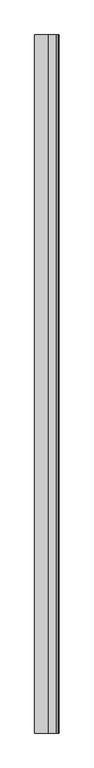
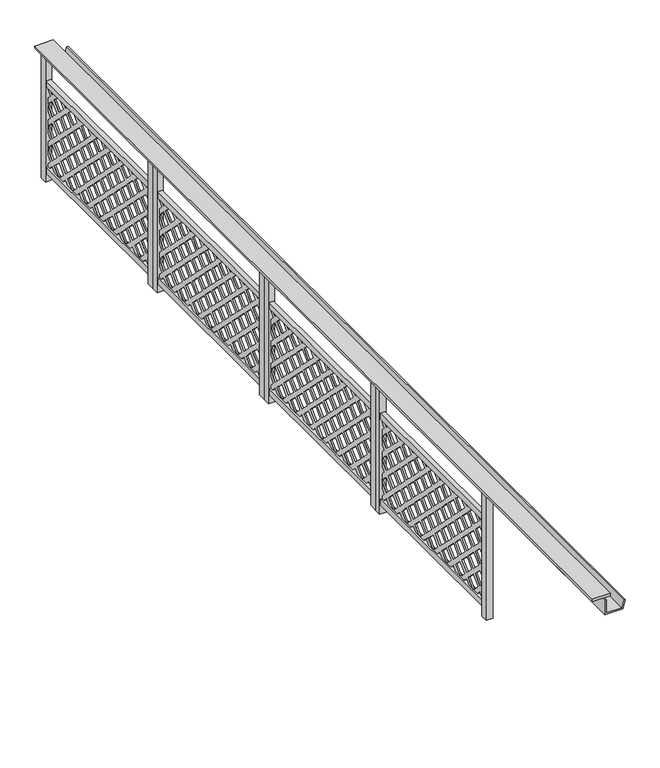
"""IFC4 building model written with IfcOpenShell, lengths in millimetres: railing geometry."""

import ifcopenshell
import ifcopenshell.guid

model = None  # the IFC model being written
_history = None  # IfcOwnerHistory: only IFC2X3 demands one
_inside = {}  # id of a spatial element -> (the spatial element, [elements in it])
_under = {}  # id of a project, library or spatial element -> (it, [spatial elements below it])
_declared = {}  # id of a project -> (the project, [libraries it declares])
_typed = {}  # id of a type object -> (the type object, [elements of that type])
_made_of = {}  # id of a material, layer set ... -> (it, [elements and type objects made of it])


def new_model(schema):
    """Start an empty IFC model of exactly this schema.

    Asked for "IFC4X3", IfcOpenShell would pick the latest addendum, in which some entities
    have other attributes; the version numbers below select the first issue.
    IFC2X3 requires an IfcOwnerHistory on every rooted entity: one is made here for all.
    """
    global model, _history
    if schema == "IFC4X3":
        model = ifcopenshell.file(schema_version=(4, 3, 0, 0))
    else:
        model = ifcopenshell.file(schema=schema)
    _inside.clear()
    _under.clear()
    _declared.clear()
    _typed.clear()
    _made_of.clear()
    _history = None
    if model.schema == "IFC2X3":
        org = make("IfcOrganization", Name="unknown")
        user = make(
            "IfcPersonAndOrganization",
            ThePerson=make("IfcPerson", FamilyName="unknown"),
            TheOrganization=org,
        )
        app = make(
            "IfcApplication",
            ApplicationDeveloper=org,
            Version="unknown",
            ApplicationFullName="unknown",
            ApplicationIdentifier="unknown",
        )
        _history = make(
            "IfcOwnerHistory",
            OwningUser=user,
            OwningApplication=app,
            ChangeAction="ADDED",
            CreationDate=0,
        )
    return model


def make(cls, **values):
    """One entity of the class cls with the attributes given. An attribute that is None is left unset."""
    return model.create_entity(
        cls, **{name: value for name, value in values.items() if value is not None}
    )


def rooted(cls, **values):
    """An entity with a GlobalId (a new one), such as an element, a storey or a relation."""
    return make(cls, GlobalId=ifcopenshell.guid.new(), OwnerHistory=_history, **values)


def si_unit(unit_type, name, prefix=None):
    """IfcSIUnit, for example si_unit("LENGTHUNIT", "METRE", prefix="MILLI")."""
    return make("IfcSIUnit", UnitType=unit_type, Prefix=prefix, Name=name)


def assignment(units):
    """IfcUnitAssignment: the units of a project."""
    return None if units is None else make("IfcUnitAssignment", Units=units)


def point(xyz):
    """IfcCartesianPoint."""
    return None if xyz is None else make("IfcCartesianPoint", Coordinates=xyz)


def direction(xyz):
    """IfcDirection."""
    return None if xyz is None else make("IfcDirection", DirectionRatios=xyz)


def frame(location, z_axis=None, x_axis=None):
    """IfcAxis2Placement3D, a coordinate frame: its origin and axes. An axis left out is left unset."""
    return make(
        "IfcAxis2Placement3D",
        Location=point(location),
        Axis=direction(z_axis),
        RefDirection=direction(x_axis),
    )


def origin():
    """The frame at (0, 0, 0) with its axes left unset."""
    return frame((0.0, 0.0, 0.0))


def origin_with_axes():
    """The frame at (0, 0, 0) with the z axis (0, 0, 1) and the x axis (1, 0, 0) written out."""
    return frame((0.0, 0.0, 0.0), z_axis=(0.0, 0.0, 1.0), x_axis=(1.0, 0.0, 0.0))


def place(relative_to, where):
    """IfcLocalPlacement: puts the frame where relative to a parent placement (None: the world)."""
    return make(
        "IfcLocalPlacement", PlacementRelTo=relative_to, RelativePlacement=where
    )


def context(
    kind, dimensions, precision=None, world=None, true_north=None, identifier=None
):
    """IfcGeometricRepresentationContext, for example the 3D "Model" context."""
    return make(
        "IfcGeometricRepresentationContext",
        ContextIdentifier=identifier,
        ContextType=kind,
        CoordinateSpaceDimension=dimensions,
        Precision=precision,
        WorldCoordinateSystem=world,
        TrueNorth=true_north,
    )


def project(units=None, contexts=None):
    """IfcProject with its units and contexts."""
    return rooted(
        "IfcProject",
        Name="project",
        RepresentationContexts=contexts,
        UnitsInContext=assignment(units),
    )


def spatial(cls, under=None, at=None, **own):
    """A site, building, storey or space (cls), placed at a placement, below another one or the project."""
    s = rooted(cls, ObjectPlacement=at, **own)
    if under is not None:
        _under.setdefault(under.id(), (under, []))[1].append(s)
    return s


def polyline(points):
    """IfcPolyline through the points."""
    return make("IfcPolyline", Points=[point(p) for p in points])


def outline(outer, holes=None, kind="AREA"):
    """IfcArbitraryClosedProfileDef: a profile drawn as a closed curve; with holes, ...WithVoids."""
    if holes is None:
        return make("IfcArbitraryClosedProfileDef", ProfileType=kind, OuterCurve=outer)
    return make(
        "IfcArbitraryProfileDefWithVoids",
        ProfileType=kind,
        OuterCurve=outer,
        InnerCurves=holes,
    )


def extrude(swept, where, along, depth):
    """IfcExtrudedAreaSolid: the profile swept, set in the frame where, extruded along a direction by depth."""
    return make(
        "IfcExtrudedAreaSolid",
        SweptArea=swept,
        Position=where,
        ExtrudedDirection=direction(along),
        Depth=depth,
    )


def shape(context_of_items, identifier, shape_type, items):
    """IfcShapeRepresentation: the items that make up one representation, for example the "Body"."""
    return make(
        "IfcShapeRepresentation",
        ContextOfItems=context_of_items,
        RepresentationIdentifier=identifier,
        RepresentationType=shape_type,
        Items=items,
    )


def source(mapping_origin, context_of_items, identifier, shape_type, items):
    """IfcRepresentationMap: a shape defined once, which mapped items show again and again."""
    return make(
        "IfcRepresentationMap",
        MappingOrigin=mapping_origin,
        MappedRepresentation=shape(context_of_items, identifier, shape_type, items),
    )


def transform(
    local_origin,
    x_axis=None,
    y_axis=None,
    z_axis=None,
    scale=None,
    scale2=None,
    scale3=None,
    uniform=True,
):
    """IfcCartesianTransformationOperator3D, or its non-uniform kind. x_axis, y_axis, z_axis: its Axis1, 2, 3."""
    if uniform:
        return make(
            "IfcCartesianTransformationOperator3D",
            Axis1=direction(x_axis),
            Axis2=direction(y_axis),
            LocalOrigin=point(local_origin),
            Scale=scale,
            Axis3=direction(z_axis),
        )
    return make(
        "IfcCartesianTransformationOperator3DnonUniform",
        Axis1=direction(x_axis),
        Axis2=direction(y_axis),
        LocalOrigin=point(local_origin),
        Scale=scale,
        Axis3=direction(z_axis),
        Scale2=scale2,
        Scale3=scale3,
    )


def mapped(mapping_source, mapping_target):
    """IfcMappedItem: shows the shape of a source again, moved by a transform."""
    return make(
        "IfcMappedItem", MappingSource=mapping_source, MappingTarget=mapping_target
    )


def made_of(thing, what):
    """Note that an element or type object is made of a material, layer set ...; save() writes the relation."""
    if what is not None:
        _made_of.setdefault(what.id(), (what, []))[1].append(thing)
    return thing


def element(
    cls,
    number,
    at=None,
    inside=None,
    cuts=None,
    type_object=None,
    material=None,
    context=None,
    identifier="Body",
    shape_type=None,
    held_by="IfcProductDefinitionShape",
    body=None,
    shapes=None,
    **own,
):
    """One element of the class cls, such as IfcWall. Its Tag is "e" and its number.

    at: its placement. inside: the storey or other place that contains it. cuts: it is an
    opening in that element (IfcRelVoidsElement). A single representation is given by context,
    identifier, shape_type and body (its items); several are given by shapes. held_by: the class
    of the entity that holds the representations. save() writes the other relations.
    """
    e = rooted(cls, Tag="e%d" % number, ObjectPlacement=at, **own)
    if body is not None:
        shapes = [shape(context, identifier, shape_type, body)]
    if shapes is not None:
        e.Representation = make(held_by, Representations=shapes)
    if inside is not None:
        _inside.setdefault(inside.id(), (inside, []))[1].append(e)
    if cuts is not None:
        rooted(
            "IfcRelVoidsElement", RelatingBuildingElement=cuts, RelatedOpeningElement=e
        )
    if type_object is not None:
        _typed.setdefault(type_object.id(), (type_object, []))[1].append(e)
    return made_of(e, material)


def aggregate(whole, parts):
    """IfcRelAggregates: a whole, such as a stair, and the parts it consists of."""
    return rooted("IfcRelAggregates", RelatingObject=whole, RelatedObjects=parts)


def save(model, path):
    """Write the relations noted so far, then the file.

    IfcRelAggregates (storeys below a building ...), IfcRelContainedInSpatialStructure (elements
    in a storey), IfcRelDefinesByType, IfcRelAssociatesMaterial and IfcRelDeclares: one each for
    every whole, place, type object, material and project.
    """
    for whole, parts in _under.values():
        aggregate(whole, parts)
    for where, things in _inside.values():
        rooted(
            "IfcRelContainedInSpatialStructure",
            RelatedElements=things,
            RelatingStructure=where,
        )
    for kind, things in _typed.values():
        rooted("IfcRelDefinesByType", RelatedObjects=things, RelatingType=kind)
    for what, things in _made_of.values():
        rooted("IfcRelAssociatesMaterial", RelatedObjects=things, RelatingMaterial=what)
    for by, libraries in _declared.values():
        rooted("IfcRelDeclares", RelatingContext=by, RelatedDefinitions=libraries)
    model.write(path)


def railing_e99903c3(model_context):
    return source(origin(), model_context, "Body", "SweptSolid", [
        extrude(outline(polyline([(5040.5303378, -25760.8033767), (4920.5303378, -25760.8033767), (4920.5303378, -19510.8033767), (5040.5303378, -19510.8033767), (5040.5303378, -25760.8033767)])), frame((0.0, 0.0, 899.8828423), z_axis=(0.0, 0.0, 1.0), x_axis=(1.0, 0.0, 0.0)), (0.0, 0.0, 1.0), 15.1171577),
        extrude(outline(polyline([(780.0, 5005.5303378), (780.0, 5122.7382617), (836.340031, 5137.8345275), (838.9282214, 5128.1752692), (790.0, 5115.0649918), (790.0, 5015.5303378), (880.0, 5015.5303378), (880.0, 5005.5303378), (780.0, 5005.5303378)])), frame((0.0, -25760.8033767, 0.0), z_axis=(0.0, 1.0, 0.0), x_axis=(0.0, 0.0, 1.0)), (0.0, 0.0, 1.0), 6250.0),
        extrude(outline(polyline([(-20439.5903947, 649.9990226), (-20489.5896185, 599.9998646), (-20435.8023964, 546.2125768), (-20382.0151086, 599.9998646), (-20432.0182115, 649.9990226), (-20389.5911052, 649.9990226), (-20360.8055003, 621.2132863), (-20332.0159505, 649.9990226), (-20289.5888442, 649.9990226), (-20339.5919471, 599.9998646), (-20285.8046593, 546.2125768), (-20232.017503, 599.9998646), (-20282.016661, 649.9990226), (-20239.5896862, 649.9990226), (-20210.8039498, 621.2132863), (-20182.0182134, 649.9990226), (-20139.5912386, 649.9990226), (-20189.5903967, 599.9998646), (-20135.8032403, 546.2125768), (-20082.0159525, 599.9998646), (-20132.015242, 649.9990226), (-20089.5919491, 649.9990226), (-20060.8025308, 621.2132863), (-20032.0167944, 649.9990226), (-19989.5896881, 649.9990226), (-20039.5889777, 599.9998646), (-19985.8055032, 546.2125768), (-19932.0183469, 599.9998646), (-19982.0175049, 649.9990226), (-19939.5905301, 649.9990226), (-19910.8047937, 621.2132863), (-19882.015244, 649.9990226), (-19839.5920825, 649.9990226), (-19889.5912406, 599.9998646), (-19835.8040842, 546.2125768), (-19782.0167964, 599.9998646), (-19832.0160859, 649.9990226), (-19789.5889796, 649.9990226), (-19760.8033747, 621.2132863), (-19732.0176384, 649.9990226), (-19689.590532, 649.9990226), (-19739.5898216, 599.9998646), (-19685.8025337, 546.2125768), (-19632.0153774, 599.9998646), (-19682.0184803, 649.9990226), (-19639.591374, 649.9990226), (-19610.8056376, 621.2132863), (-19582.0162194, 649.9990226), (-19560.8026662, 649.9990226), (-19560.8026662, 628.7854695), (-19589.5920845, 599.9998646), (-19560.8026662, 571.2121558), (-19560.8026662, 528.7870877), (-19610.8056376, 578.7863115), (-19664.5891121, 524.9990894), (-19610.8056376, 471.213774), (-19560.8026662, 521.2129978), (-19560.8026662, 478.7859572), (-19589.5920845, 450.0002208), (-19560.8026662, 421.2126435), (-19560.8026662, 378.7856029), (-19610.8056376, 428.7867334), (-19664.5891121, 374.9995113), (-19610.8056376, 321.2122892), (-19560.8026662, 371.2134197), (-19560.8026662, 328.7863792), (-19589.5920845, 299.9988018), (-19560.8026662, 271.2130655), (-19560.8026662, 228.7860249), (-19610.8056376, 278.7871554), (-19664.5891121, 224.9999333), (-19610.8056376, 171.2127112), (-19560.8026662, 221.2138417), (-19560.8026662, 178.7868011), (-19589.5920845, 149.9992238), (-19560.8026662, 121.2134874), (-19560.8026662, 100.0), (-19582.0162194, 100.0), (-19610.8056376, 128.7856706), (-19639.591374, 100.0), (-19682.0184803, 100.0), (-19632.0153774, 149.9992238), (-19685.8025337, 203.7864459), (-19739.5898216, 149.9992238), (-19689.590532, 100.0), (-19732.0176384, 100.0), (-19760.8033747, 128.7856706), (-19789.5889796, 100.0), (-19832.0160859, 100.0), (-19782.0167964, 149.9992238), (-19835.8040842, 203.7864459), (-19889.5912406, 149.9992238), (-19839.5920825, 100.0), (-19882.015244, 100.0), (-19910.8047937, 128.7856706), (-19939.5905301, 100.0), (-19982.0175049, 100.0), (-19932.0183469, 149.9992238), (-19985.8055032, 203.7864459), (-20039.5889777, 149.9992238), (-19989.5896881, 100.0), (-20032.0167944, 100.0), (-20060.8025308, 128.7856706), (-20089.5919491, 100.0), (-20132.015242, 100.0), (-20082.0159525, 149.9992238), (-20135.8032403, 203.7864459), (-20189.5903967, 149.9992238), (-20139.5912386, 100.0), (-20182.0182134, 100.0), (-20210.8039498, 128.7856706), (-20239.5896862, 100.0), (-20282.016661, 100.0), (-20232.017503, 149.9992238), (-20285.8046593, 203.7864459), (-20339.5919471, 149.9992238), (-20289.5888442, 100.0), (-20332.0159505, 100.0), (-20360.8055003, 128.7856706), (-20389.5911052, 100.0), (-20432.0182115, 100.0), (-20382.0151086, 149.9992238), (-20435.8023964, 203.7864459), (-20489.5896185, 149.9992238), (-20439.5903947, 100.0), (-20482.0174353, 100.0), (-20510.8031059, 128.7856706), (-20539.590749, 100.0), (-20582.0158828, 100.0), (-20532.0166591, 149.9992238), (-20585.8038811, 203.7864459), (-20639.5911032, 149.9992238), (-20589.5899728, 100.0), (-20632.0170133, 100.0), (-20660.8026839, 128.7856706), (-20689.590327, 100.0), (-20710.8038144, 100.0), (-20710.8038144, 121.2134874), (-20682.0162371, 149.9992238), (-20710.8038144, 178.7868011), (-20710.8038144, 221.2138417), (-20660.8026839, 171.2127112), (-20607.0173686, 224.9999333), (-20660.8026839, 278.7871554), (-20710.8038144, 228.7860249), (-20710.8038144, 271.2130655), (-20682.0162371, 299.9988018), (-20710.8038144, 328.7863792), (-20710.8038144, 371.2134197), (-20660.8026839, 321.2122892), (-20607.0173686, 374.9995113), (-20660.8026839, 428.7867334), (-20710.8038144, 378.7856029), (-20710.8038144, 421.2126435), (-20682.0162371, 450.0002208), (-20710.8038144, 478.7859572), (-20710.8038144, 521.2129978), (-20660.8026839, 471.213774), (-20607.0173686, 524.9990894), (-20660.8026839, 578.7863115), (-20710.8038144, 528.7870877), (-20710.8038144, 571.2121558), (-20682.0162371, 599.9998646), (-20710.8038144, 628.7854695), (-20710.8038144, 649.9990226), (-20689.590327, 649.9990226), (-20660.8026839, 621.2132863), (-20632.0170133, 649.9990226), (-20589.5899728, 649.9990226), (-20639.5911032, 599.9998646), (-20585.8038811, 546.2125768), (-20532.0166591, 599.9998646), (-20582.0158828, 649.9990226), (-20539.590749, 649.9990226), (-20510.8031059, 621.2132863), (-20482.0174353, 649.9990226), (-20439.5903947, 649.9990226)]), holes=[polyline([(-20510.8031059, 578.7863115), (-20564.590328, 524.9990894), (-20510.8031059, 471.213774), (-20457.0159496, 524.9990894), (-20510.8031059, 578.7863115)]), polyline([(-20585.8038811, 503.7855362), (-20639.5911032, 450.0002208), (-20585.8038811, 396.2130645), (-20532.0166591, 450.0002208), (-20585.8038811, 503.7855362)]), polyline([(-20510.8031059, 428.7867334), (-20564.590328, 374.9995113), (-20510.8031059, 321.2122892), (-20457.0159496, 374.9995113), (-20510.8031059, 428.7867334)]), polyline([(-20382.0151086, 450.0002208), (-20435.8023964, 503.7855362), (-20489.5896185, 450.0002208), (-20435.8023964, 396.2130645), (-20382.0151086, 450.0002208)]), polyline([(-20360.8055003, 471.213774), (-20307.0182125, 524.9990894), (-20360.8055003, 578.7863115), (-20414.5888433, 524.9990894), (-20360.8055003, 471.213774)]), polyline([(-20585.8038811, 353.7859582), (-20639.5911032, 299.9988018), (-20585.8038811, 246.2134864), (-20532.0166591, 299.9988018), (-20585.8038811, 353.7859582)]), polyline([(-20510.8031059, 278.7871554), (-20564.590328, 224.9999333), (-20510.8031059, 171.2127112), (-20457.0159496, 224.9999333), (-20510.8031059, 278.7871554)]), polyline([(-20489.5896185, 299.9988018), (-20435.8023964, 246.2134864), (-20382.0151086, 299.9988018), (-20435.8023964, 353.7859582), (-20489.5896185, 299.9988018)]), polyline([(-20360.8055003, 321.2122892), (-20307.0182125, 374.9995113), (-20360.8055003, 428.7867334), (-20414.5888433, 374.9995113), (-20360.8055003, 321.2122892)]), polyline([(-20339.5919471, 450.0002208), (-20285.8046593, 396.2130645), (-20232.017503, 450.0002208), (-20285.8046593, 503.7855362), (-20339.5919471, 450.0002208)]), polyline([(-20210.8039498, 471.213774), (-20157.0167935, 524.9990894), (-20210.8039498, 578.7863115), (-20264.5912376, 524.9990894), (-20210.8039498, 471.213774)]), polyline([(-20114.5896872, 524.9990894), (-20060.8025308, 471.213774), (-20007.015243, 524.9990894), (-20060.8025308, 578.7863115), (-20114.5896872, 524.9990894)]), polyline([(-20210.8039498, 428.7867334), (-20264.5912376, 374.9995113), (-20210.8039498, 321.2122892), (-20157.0167935, 374.9995113), (-20210.8039498, 428.7867334)]), polyline([(-20285.8046593, 353.7859582), (-20339.5919471, 299.9988018), (-20285.8046593, 246.2134864), (-20232.017503, 299.9988018), (-20285.8046593, 353.7859582)]), polyline([(-20414.5888433, 224.9999333), (-20360.8055003, 171.2127112), (-20307.0182125, 224.9999333), (-20360.8055003, 278.7871554), (-20414.5888433, 224.9999333)]), polyline([(-20135.8032403, 503.7855362), (-20189.5903967, 450.0002208), (-20135.8032403, 396.2130645), (-20082.0159525, 450.0002208), (-20135.8032403, 503.7855362)]), polyline([(-19964.5920816, 524.9990894), (-19910.8047937, 471.213774), (-19857.0176374, 524.9990894), (-19910.8047937, 578.7863115), (-19964.5920816, 524.9990894)]), polyline([(-19857.0176374, 374.9995113), (-19910.8047937, 428.7867334), (-19964.5920816, 374.9995113), (-19910.8047937, 321.2122892), (-19857.0176374, 374.9995113)]), polyline([(-19985.8055032, 503.7855362), (-20039.5889777, 450.0002208), (-19985.8055032, 396.2130645), (-19932.0183469, 450.0002208), (-19985.8055032, 503.7855362)]), polyline([(-20007.015243, 374.9995113), (-20060.8025308, 428.7867334), (-20114.5896872, 374.9995113), (-20060.8025308, 321.2122892), (-20007.015243, 374.9995113)]), polyline([(-20135.8032403, 353.7859582), (-20189.5903967, 299.9988018), (-20135.8032403, 246.2134864), (-20082.0159525, 299.9988018), (-20135.8032403, 353.7859582)]), polyline([(-20210.8039498, 278.7871554), (-20264.5912376, 224.9999333), (-20210.8039498, 171.2127112), (-20157.0167935, 224.9999333), (-20210.8039498, 278.7871554)]), polyline([(-20007.015243, 224.9999333), (-20060.8025308, 278.7871554), (-20114.5896872, 224.9999333), (-20060.8025308, 171.2127112), (-20007.015243, 224.9999333)]), polyline([(-19964.5920816, 224.9999333), (-19910.8047937, 171.2127112), (-19857.0176374, 224.9999333), (-19910.8047937, 278.7871554), (-19964.5920816, 224.9999333)]), polyline([(-20039.5889777, 299.9988018), (-19985.8055032, 246.2134864), (-19932.0183469, 299.9988018), (-19985.8055032, 353.7859582), (-20039.5889777, 299.9988018)]), polyline([(-19889.5912406, 299.9988018), (-19835.8040842, 246.2134864), (-19782.0167964, 299.9988018), (-19835.8040842, 353.7859582), (-19889.5912406, 299.9988018)]), polyline([(-19835.8040842, 396.2130645), (-19782.0167964, 450.0002208), (-19835.8040842, 503.7855362), (-19889.5912406, 450.0002208), (-19835.8040842, 396.2130645)]), polyline([(-19814.5905311, 524.9990894), (-19760.8033747, 471.213774), (-19707.0160869, 524.9990894), (-19760.8033747, 578.7863115), (-19814.5905311, 524.9990894)]), polyline([(-19685.8025337, 396.2130645), (-19632.0153774, 450.0002208), (-19685.8025337, 503.7855362), (-19739.5898216, 450.0002208), (-19685.8025337, 396.2130645)]), polyline([(-19707.0160869, 374.9995113), (-19760.8033747, 428.7867334), (-19814.5905311, 374.9995113), (-19760.8033747, 321.2122892), (-19707.0160869, 374.9995113)]), polyline([(-19685.8025337, 246.2134864), (-19632.0153774, 299.9988018), (-19685.8025337, 353.7859582), (-19739.5898216, 299.9988018), (-19685.8025337, 246.2134864)]), polyline([(-19760.8033747, 278.7871554), (-19814.5905311, 224.9999333), (-19760.8033747, 171.2127112), (-19707.0160869, 224.9999333), (-19760.8033747, 278.7871554)])]), frame((4976.5303378, 0.0, 0.0), z_axis=(1.0, 0.0, 0.0), x_axis=(0.0, 1.0, 0.0)), (0.0, 0.0, 1.0), 10.0),
        extrude(outline(polyline([(4995.5303378, -19560.8026662), (4995.5303378, -20710.8030382), (4965.5303378, -20710.8030382), (4965.5303378, -19560.8026662), (4995.5303378, -19560.8026662)])), frame((0.0, 0.0, 649.9990226), z_axis=(0.0, 0.0, 1.0), x_axis=(1.0, 0.0, 0.0)), (0.0, 0.0, 1.0), 40.0009774),
        extrude(outline(polyline([(4995.5303378, -19560.8026662), (4995.5303378, -20710.8030382), (4965.5303378, -20710.8030382), (4965.5303378, -19560.8026662), (4995.5303378, -19560.8026662)])), frame((0.0, 0.0, 60.0), z_axis=(0.0, 0.0, 1.0), x_axis=(1.0, 0.0, 0.0)), (0.0, 0.0, 1.0), 40.0),
        extrude(outline(polyline([(5000.5303378, -19510.8033767), (5000.5303378, -19560.8033767), (4960.5303378, -19560.8033767), (4960.5303378, -19510.8033767), (5000.5303378, -19510.8033767)])), origin_with_axes(), (0.0, 0.0, 1.0), 900.0),
        extrude(outline(polyline([(5000.5303378, -20710.8030382), (5000.5303378, -20760.8030382), (4960.5303378, -20760.8030382), (4960.5303378, -20710.8030382), (5000.5303378, -20710.8030382)])), origin_with_axes(), (0.0, 0.0, 1.0), 900.0),
        extrude(outline(polyline([(-21690.5903947, 649.9990226), (-21740.5896185, 599.9998646), (-21686.8023964, 546.2125768), (-21633.0151086, 599.9998646), (-21683.0182115, 649.9990226), (-21640.5911052, 649.9990226), (-21611.8055003, 621.2132863), (-21583.0159505, 649.9990226), (-21540.5888442, 649.9990226), (-21590.5919471, 599.9998646), (-21536.8046593, 546.2125768), (-21483.017503, 599.9998646), (-21533.016661, 649.9990226), (-21490.5896862, 649.9990226), (-21461.8039498, 621.2132863), (-21433.0182134, 649.9990226), (-21390.5912386, 649.9990226), (-21440.5903967, 599.9998646), (-21386.8032403, 546.2125768), (-21333.0159525, 599.9998646), (-21383.015242, 649.9990226), (-21340.5919491, 649.9990226), (-21311.8025308, 621.2132863), (-21283.0167944, 649.9990226), (-21240.5896881, 649.9990226), (-21290.5889777, 599.9998646), (-21236.8055032, 546.2125768), (-21183.0183469, 599.9998646), (-21233.0175049, 649.9990226), (-21190.5905301, 649.9990226), (-21161.8047937, 621.2132863), (-21133.015244, 649.9990226), (-21090.5920825, 649.9990226), (-21140.5912406, 599.9998646), (-21086.8040842, 546.2125768), (-21033.0167964, 599.9998646), (-21083.0160859, 649.9990226), (-21040.5889796, 649.9990226), (-21011.8033747, 621.2132863), (-20983.0176384, 649.9990226), (-20940.590532, 649.9990226), (-20990.5898216, 599.9998646), (-20936.8025337, 546.2125768), (-20883.0153774, 599.9998646), (-20933.0184803, 649.9990226), (-20890.591374, 649.9990226), (-20861.8056376, 621.2132863), (-20833.0162194, 649.9990226), (-20811.8026662, 649.9990226), (-20811.8026662, 628.7854695), (-20840.5920845, 599.9998646), (-20811.8026662, 571.2121558), (-20811.8026662, 528.7870877), (-20861.8056376, 578.7863115), (-20915.5891121, 524.9990894), (-20861.8056376, 471.213774), (-20811.8026662, 521.2129978), (-20811.8026662, 478.7859572), (-20840.5920845, 450.0002208), (-20811.8026662, 421.2126435), (-20811.8026662, 378.7856029), (-20861.8056376, 428.7867334), (-20915.5891121, 374.9995113), (-20861.8056376, 321.2122892), (-20811.8026662, 371.2134197), (-20811.8026662, 328.7863792), (-20840.5920845, 299.9988018), (-20811.8026662, 271.2130655), (-20811.8026662, 228.7860249), (-20861.8056376, 278.7871554), (-20915.5891121, 224.9999333), (-20861.8056376, 171.2127112), (-20811.8026662, 221.2138417), (-20811.8026662, 178.7868011), (-20840.5920845, 149.9992238), (-20811.8026662, 121.2134874), (-20811.8026662, 100.0), (-20833.0162194, 100.0), (-20861.8056376, 128.7856706), (-20890.591374, 100.0), (-20933.0184803, 100.0), (-20883.0153774, 149.9992238), (-20936.8025337, 203.7864459), (-20990.5898216, 149.9992238), (-20940.590532, 100.0), (-20983.0176384, 100.0), (-21011.8033747, 128.7856706), (-21040.5889796, 100.0), (-21083.0160859, 100.0), (-21033.0167964, 149.9992238), (-21086.8040842, 203.7864459), (-21140.5912406, 149.9992238), (-21090.5920825, 100.0), (-21133.015244, 100.0), (-21161.8047937, 128.7856706), (-21190.5905301, 100.0), (-21233.0175049, 100.0), (-21183.0183469, 149.9992238), (-21236.8055032, 203.7864459), (-21290.5889777, 149.9992238), (-21240.5896881, 100.0), (-21283.0167944, 100.0), (-21311.8025308, 128.7856706), (-21340.5919491, 100.0), (-21383.015242, 100.0), (-21333.0159525, 149.9992238), (-21386.8032403, 203.7864459), (-21440.5903967, 149.9992238), (-21390.5912386, 100.0), (-21433.0182134, 100.0), (-21461.8039498, 128.7856706), (-21490.5896862, 100.0), (-21533.016661, 100.0), (-21483.017503, 149.9992238), (-21536.8046593, 203.7864459), (-21590.5919471, 149.9992238), (-21540.5888442, 100.0), (-21583.0159505, 100.0), (-21611.8055003, 128.7856706), (-21640.5911052, 100.0), (-21683.0182115, 100.0), (-21633.0151086, 149.9992238), (-21686.8023964, 203.7864459), (-21740.5896185, 149.9992238), (-21690.5903947, 100.0), (-21733.0174353, 100.0), (-21761.8031059, 128.7856706), (-21790.590749, 100.0), (-21833.0158828, 100.0), (-21783.0166591, 149.9992238), (-21836.8038811, 203.7864459), (-21890.5911032, 149.9992238), (-21840.5899728, 100.0), (-21883.0170133, 100.0), (-21911.8026839, 128.7856706), (-21940.590327, 100.0), (-21961.8038144, 100.0), (-21961.8038144, 121.2134874), (-21933.0162371, 149.9992238), (-21961.8038144, 178.7868011), (-21961.8038144, 221.2138417), (-21911.8026839, 171.2127112), (-21858.0173686, 224.9999333), (-21911.8026839, 278.7871554), (-21961.8038144, 228.7860249), (-21961.8038144, 271.2130655), (-21933.0162371, 299.9988018), (-21961.8038144, 328.7863792), (-21961.8038144, 371.2134197), (-21911.8026839, 321.2122892), (-21858.0173686, 374.9995113), (-21911.8026839, 428.7867334), (-21961.8038144, 378.7856029), (-21961.8038144, 421.2126435), (-21933.0162371, 450.0002208), (-21961.8038144, 478.7859572), (-21961.8038144, 521.2129978), (-21911.8026839, 471.213774), (-21858.0173686, 524.9990894), (-21911.8026839, 578.7863115), (-21961.8038144, 528.7870877), (-21961.8038144, 571.2121558), (-21933.0162371, 599.9998646), (-21961.8038144, 628.7854695), (-21961.8038144, 649.9990226), (-21940.590327, 649.9990226), (-21911.8026839, 621.2132863), (-21883.0170133, 649.9990226), (-21840.5899728, 649.9990226), (-21890.5911032, 599.9998646), (-21836.8038811, 546.2125768), (-21783.0166591, 599.9998646), (-21833.0158828, 649.9990226), (-21790.590749, 649.9990226), (-21761.8031059, 621.2132863), (-21733.0174353, 649.9990226), (-21690.5903947, 649.9990226)]), holes=[polyline([(-21761.8031059, 578.7863115), (-21815.590328, 524.9990894), (-21761.8031059, 471.213774), (-21708.0159496, 524.9990894), (-21761.8031059, 578.7863115)]), polyline([(-21836.8038811, 503.7855362), (-21890.5911032, 450.0002208), (-21836.8038811, 396.2130645), (-21783.0166591, 450.0002208), (-21836.8038811, 503.7855362)]), polyline([(-21761.8031059, 428.7867334), (-21815.590328, 374.9995113), (-21761.8031059, 321.2122892), (-21708.0159496, 374.9995113), (-21761.8031059, 428.7867334)]), polyline([(-21633.0151086, 450.0002208), (-21686.8023964, 503.7855362), (-21740.5896185, 450.0002208), (-21686.8023964, 396.2130645), (-21633.0151086, 450.0002208)]), polyline([(-21611.8055003, 471.213774), (-21558.0182125, 524.9990894), (-21611.8055003, 578.7863115), (-21665.5888433, 524.9990894), (-21611.8055003, 471.213774)]), polyline([(-21836.8038811, 353.7859582), (-21890.5911032, 299.9988018), (-21836.8038811, 246.2134864), (-21783.0166591, 299.9988018), (-21836.8038811, 353.7859582)]), polyline([(-21761.8031059, 278.7871554), (-21815.590328, 224.9999333), (-21761.8031059, 171.2127112), (-21708.0159496, 224.9999333), (-21761.8031059, 278.7871554)]), polyline([(-21740.5896185, 299.9988018), (-21686.8023964, 246.2134864), (-21633.0151086, 299.9988018), (-21686.8023964, 353.7859582), (-21740.5896185, 299.9988018)]), polyline([(-21611.8055003, 321.2122892), (-21558.0182125, 374.9995113), (-21611.8055003, 428.7867334), (-21665.5888433, 374.9995113), (-21611.8055003, 321.2122892)]), polyline([(-21590.5919471, 450.0002208), (-21536.8046593, 396.2130645), (-21483.017503, 450.0002208), (-21536.8046593, 503.7855362), (-21590.5919471, 450.0002208)]), polyline([(-21461.8039498, 471.213774), (-21408.0167935, 524.9990894), (-21461.8039498, 578.7863115), (-21515.5912376, 524.9990894), (-21461.8039498, 471.213774)]), polyline([(-21365.5896872, 524.9990894), (-21311.8025308, 471.213774), (-21258.015243, 524.9990894), (-21311.8025308, 578.7863115), (-21365.5896872, 524.9990894)]), polyline([(-21461.8039498, 428.7867334), (-21515.5912376, 374.9995113), (-21461.8039498, 321.2122892), (-21408.0167935, 374.9995113), (-21461.8039498, 428.7867334)]), polyline([(-21536.8046593, 353.7859582), (-21590.5919471, 299.9988018), (-21536.8046593, 246.2134864), (-21483.017503, 299.9988018), (-21536.8046593, 353.7859582)]), polyline([(-21665.5888433, 224.9999333), (-21611.8055003, 171.2127112), (-21558.0182125, 224.9999333), (-21611.8055003, 278.7871554), (-21665.5888433, 224.9999333)]), polyline([(-21386.8032403, 503.7855362), (-21440.5903967, 450.0002208), (-21386.8032403, 396.2130645), (-21333.0159525, 450.0002208), (-21386.8032403, 503.7855362)]), polyline([(-21215.5920816, 524.9990894), (-21161.8047937, 471.213774), (-21108.0176374, 524.9990894), (-21161.8047937, 578.7863115), (-21215.5920816, 524.9990894)]), polyline([(-21108.0176374, 374.9995113), (-21161.8047937, 428.7867334), (-21215.5920816, 374.9995113), (-21161.8047937, 321.2122892), (-21108.0176374, 374.9995113)]), polyline([(-21236.8055032, 503.7855362), (-21290.5889777, 450.0002208), (-21236.8055032, 396.2130645), (-21183.0183469, 450.0002208), (-21236.8055032, 503.7855362)]), polyline([(-21258.015243, 374.9995113), (-21311.8025308, 428.7867334), (-21365.5896872, 374.9995113), (-21311.8025308, 321.2122892), (-21258.015243, 374.9995113)]), polyline([(-21386.8032403, 353.7859582), (-21440.5903967, 299.9988018), (-21386.8032403, 246.2134864), (-21333.0159525, 299.9988018), (-21386.8032403, 353.7859582)]), polyline([(-21461.8039498, 278.7871554), (-21515.5912376, 224.9999333), (-21461.8039498, 171.2127112), (-21408.0167935, 224.9999333), (-21461.8039498, 278.7871554)]), polyline([(-21258.015243, 224.9999333), (-21311.8025308, 278.7871554), (-21365.5896872, 224.9999333), (-21311.8025308, 171.2127112), (-21258.015243, 224.9999333)]), polyline([(-21215.5920816, 224.9999333), (-21161.8047937, 171.2127112), (-21108.0176374, 224.9999333), (-21161.8047937, 278.7871554), (-21215.5920816, 224.9999333)]), polyline([(-21290.5889777, 299.9988018), (-21236.8055032, 246.2134864), (-21183.0183469, 299.9988018), (-21236.8055032, 353.7859582), (-21290.5889777, 299.9988018)]), polyline([(-21140.5912406, 299.9988018), (-21086.8040842, 246.2134864), (-21033.0167964, 299.9988018), (-21086.8040842, 353.7859582), (-21140.5912406, 299.9988018)]), polyline([(-21086.8040842, 396.2130645), (-21033.0167964, 450.0002208), (-21086.8040842, 503.7855362), (-21140.5912406, 450.0002208), (-21086.8040842, 396.2130645)]), polyline([(-21065.5905311, 524.9990894), (-21011.8033747, 471.213774), (-20958.0160869, 524.9990894), (-21011.8033747, 578.7863115), (-21065.5905311, 524.9990894)]), polyline([(-20936.8025337, 396.2130645), (-20883.0153774, 450.0002208), (-20936.8025337, 503.7855362), (-20990.5898216, 450.0002208), (-20936.8025337, 396.2130645)]), polyline([(-20958.0160869, 374.9995113), (-21011.8033747, 428.7867334), (-21065.5905311, 374.9995113), (-21011.8033747, 321.2122892), (-20958.0160869, 374.9995113)]), polyline([(-20936.8025337, 246.2134864), (-20883.0153774, 299.9988018), (-20936.8025337, 353.7859582), (-20990.5898216, 299.9988018), (-20936.8025337, 246.2134864)]), polyline([(-21011.8033747, 278.7871554), (-21065.5905311, 224.9999333), (-21011.8033747, 171.2127112), (-20958.0160869, 224.9999333), (-21011.8033747, 278.7871554)])]), frame((4976.5303378, 0.0, 0.0), z_axis=(1.0, 0.0, 0.0), x_axis=(0.0, 1.0, 0.0)), (0.0, 0.0, 1.0), 10.0),
        extrude(outline(polyline([(4995.5303378, -20811.8026662), (4995.5303378, -21961.8030382), (4965.5303378, -21961.8030382), (4965.5303378, -20811.8026662), (4995.5303378, -20811.8026662)])), frame((0.0, 0.0, 649.9990226), z_axis=(0.0, 0.0, 1.0), x_axis=(1.0, 0.0, 0.0)), (0.0, 0.0, 1.0), 40.0009774),
        extrude(outline(polyline([(4995.5303378, -20811.8026662), (4995.5303378, -21961.8030382), (4965.5303378, -21961.8030382), (4965.5303378, -20811.8026662), (4995.5303378, -20811.8026662)])), frame((0.0, 0.0, 60.0), z_axis=(0.0, 0.0, 1.0), x_axis=(1.0, 0.0, 0.0)), (0.0, 0.0, 1.0), 40.0),
        extrude(outline(polyline([(5000.5303378, -20761.8033767), (5000.5303378, -20811.8033767), (4960.5303378, -20811.8033767), (4960.5303378, -20761.8033767), (5000.5303378, -20761.8033767)])), origin_with_axes(), (0.0, 0.0, 1.0), 900.0),
        extrude(outline(polyline([(5000.5303378, -21961.8030382), (5000.5303378, -22011.8030382), (4960.5303378, -22011.8030382), (4960.5303378, -21961.8030382), (5000.5303378, -21961.8030382)])), origin_with_axes(), (0.0, 0.0, 1.0), 900.0),
        extrude(outline(polyline([(-22941.5903947, 649.9990226), (-22991.5896185, 599.9998646), (-22937.8023964, 546.2125768), (-22884.0151086, 599.9998646), (-22934.0182115, 649.9990226), (-22891.5911052, 649.9990226), (-22862.8055003, 621.2132863), (-22834.0159505, 649.9990226), (-22791.5888442, 649.9990226), (-22841.5919471, 599.9998646), (-22787.8046593, 546.2125768), (-22734.017503, 599.9998646), (-22784.016661, 649.9990226), (-22741.5896862, 649.9990226), (-22712.8039498, 621.2132863), (-22684.0182134, 649.9990226), (-22641.5912386, 649.9990226), (-22691.5903967, 599.9998646), (-22637.8032403, 546.2125768), (-22584.0159525, 599.9998646), (-22634.015242, 649.9990226), (-22591.5919491, 649.9990226), (-22562.8025308, 621.2132863), (-22534.0167944, 649.9990226), (-22491.5896881, 649.9990226), (-22541.5889777, 599.9998646), (-22487.8055032, 546.2125768), (-22434.0183469, 599.9998646), (-22484.0175049, 649.9990226), (-22441.5905301, 649.9990226), (-22412.8047937, 621.2132863), (-22384.015244, 649.9990226), (-22341.5920825, 649.9990226), (-22391.5912406, 599.9998646), (-22337.8040842, 546.2125768), (-22284.0167964, 599.9998646), (-22334.0160859, 649.9990226), (-22291.5889796, 649.9990226), (-22262.8033747, 621.2132863), (-22234.0176384, 649.9990226), (-22191.590532, 649.9990226), (-22241.5898216, 599.9998646), (-22187.8025337, 546.2125768), (-22134.0153774, 599.9998646), (-22184.0184803, 649.9990226), (-22141.591374, 649.9990226), (-22112.8056376, 621.2132863), (-22084.0162194, 649.9990226), (-22062.8026662, 649.9990226), (-22062.8026662, 628.7854695), (-22091.5920845, 599.9998646), (-22062.8026662, 571.2121558), (-22062.8026662, 528.7870877), (-22112.8056376, 578.7863115), (-22166.5891121, 524.9990894), (-22112.8056376, 471.213774), (-22062.8026662, 521.2129978), (-22062.8026662, 478.7859572), (-22091.5920845, 450.0002208), (-22062.8026662, 421.2126435), (-22062.8026662, 378.7856029), (-22112.8056376, 428.7867334), (-22166.5891121, 374.9995113), (-22112.8056376, 321.2122892), (-22062.8026662, 371.2134197), (-22062.8026662, 328.7863792), (-22091.5920845, 299.9988018), (-22062.8026662, 271.2130655), (-22062.8026662, 228.7860249), (-22112.8056376, 278.7871554), (-22166.5891121, 224.9999333), (-22112.8056376, 171.2127112), (-22062.8026662, 221.2138417), (-22062.8026662, 178.7868011), (-22091.5920845, 149.9992238), (-22062.8026662, 121.2134874), (-22062.8026662, 100.0), (-22084.0162194, 100.0), (-22112.8056376, 128.7856706), (-22141.591374, 100.0), (-22184.0184803, 100.0), (-22134.0153774, 149.9992238), (-22187.8025337, 203.7864459), (-22241.5898216, 149.9992238), (-22191.590532, 100.0), (-22234.0176384, 100.0), (-22262.8033747, 128.7856706), (-22291.5889796, 100.0), (-22334.0160859, 100.0), (-22284.0167964, 149.9992238), (-22337.8040842, 203.7864459), (-22391.5912406, 149.9992238), (-22341.5920825, 100.0), (-22384.015244, 100.0), (-22412.8047937, 128.7856706), (-22441.5905301, 100.0), (-22484.0175049, 100.0), (-22434.0183469, 149.9992238), (-22487.8055032, 203.7864459), (-22541.5889777, 149.9992238), (-22491.5896881, 100.0), (-22534.0167944, 100.0), (-22562.8025308, 128.7856706), (-22591.5919491, 100.0), (-22634.015242, 100.0), (-22584.0159525, 149.9992238), (-22637.8032403, 203.7864459), (-22691.5903967, 149.9992238), (-22641.5912386, 100.0), (-22684.0182134, 100.0), (-22712.8039498, 128.7856706), (-22741.5896862, 100.0), (-22784.016661, 100.0), (-22734.017503, 149.9992238), (-22787.8046593, 203.7864459), (-22841.5919471, 149.9992238), (-22791.5888442, 100.0), (-22834.0159505, 100.0), (-22862.8055003, 128.7856706), (-22891.5911052, 100.0), (-22934.0182115, 100.0), (-22884.0151086, 149.9992238), (-22937.8023964, 203.7864459), (-22991.5896185, 149.9992238), (-22941.5903947, 100.0), (-22984.0174353, 100.0), (-23012.8031059, 128.7856706), (-23041.590749, 100.0), (-23084.0158828, 100.0), (-23034.0166591, 149.9992238), (-23087.8038811, 203.7864459), (-23141.5911032, 149.9992238), (-23091.5899728, 100.0), (-23134.0170133, 100.0), (-23162.8026839, 128.7856706), (-23191.590327, 100.0), (-23212.8038144, 100.0), (-23212.8038144, 121.2134874), (-23184.0162371, 149.9992238), (-23212.8038144, 178.7868011), (-23212.8038144, 221.2138417), (-23162.8026839, 171.2127112), (-23109.0173686, 224.9999333), (-23162.8026839, 278.7871554), (-23212.8038144, 228.7860249), (-23212.8038144, 271.2130655), (-23184.0162371, 299.9988018), (-23212.8038144, 328.7863792), (-23212.8038144, 371.2134197), (-23162.8026839, 321.2122892), (-23109.0173686, 374.9995113), (-23162.8026839, 428.7867334), (-23212.8038144, 378.7856029), (-23212.8038144, 421.2126435), (-23184.0162371, 450.0002208), (-23212.8038144, 478.7859572), (-23212.8038144, 521.2129978), (-23162.8026839, 471.213774), (-23109.0173686, 524.9990894), (-23162.8026839, 578.7863115), (-23212.8038144, 528.7870877), (-23212.8038144, 571.2121558), (-23184.0162371, 599.9998646), (-23212.8038144, 628.7854695), (-23212.8038144, 649.9990226), (-23191.590327, 649.9990226), (-23162.8026839, 621.2132863), (-23134.0170133, 649.9990226), (-23091.5899728, 649.9990226), (-23141.5911032, 599.9998646), (-23087.8038811, 546.2125768), (-23034.0166591, 599.9998646), (-23084.0158828, 649.9990226), (-23041.590749, 649.9990226), (-23012.8031059, 621.2132863), (-22984.0174353, 649.9990226), (-22941.5903947, 649.9990226)]), holes=[polyline([(-23012.8031059, 578.7863115), (-23066.590328, 524.9990894), (-23012.8031059, 471.213774), (-22959.0159496, 524.9990894), (-23012.8031059, 578.7863115)]), polyline([(-23087.8038811, 503.7855362), (-23141.5911032, 450.0002208), (-23087.8038811, 396.2130645), (-23034.0166591, 450.0002208), (-23087.8038811, 503.7855362)]), polyline([(-23012.8031059, 428.7867334), (-23066.590328, 374.9995113), (-23012.8031059, 321.2122892), (-22959.0159496, 374.9995113), (-23012.8031059, 428.7867334)]), polyline([(-22884.0151086, 450.0002208), (-22937.8023964, 503.7855362), (-22991.5896185, 450.0002208), (-22937.8023964, 396.2130645), (-22884.0151086, 450.0002208)]), polyline([(-22862.8055003, 471.213774), (-22809.0182125, 524.9990894), (-22862.8055003, 578.7863115), (-22916.5888433, 524.9990894), (-22862.8055003, 471.213774)]), polyline([(-23087.8038811, 353.7859582), (-23141.5911032, 299.9988018), (-23087.8038811, 246.2134864), (-23034.0166591, 299.9988018), (-23087.8038811, 353.7859582)]), polyline([(-23012.8031059, 278.7871554), (-23066.590328, 224.9999333), (-23012.8031059, 171.2127112), (-22959.0159496, 224.9999333), (-23012.8031059, 278.7871554)]), polyline([(-22991.5896185, 299.9988018), (-22937.8023964, 246.2134864), (-22884.0151086, 299.9988018), (-22937.8023964, 353.7859582), (-22991.5896185, 299.9988018)]), polyline([(-22862.8055003, 321.2122892), (-22809.0182125, 374.9995113), (-22862.8055003, 428.7867334), (-22916.5888433, 374.9995113), (-22862.8055003, 321.2122892)]), polyline([(-22841.5919471, 450.0002208), (-22787.8046593, 396.2130645), (-22734.017503, 450.0002208), (-22787.8046593, 503.7855362), (-22841.5919471, 450.0002208)]), polyline([(-22712.8039498, 471.213774), (-22659.0167935, 524.9990894), (-22712.8039498, 578.7863115), (-22766.5912376, 524.9990894), (-22712.8039498, 471.213774)]), polyline([(-22616.5896872, 524.9990894), (-22562.8025308, 471.213774), (-22509.015243, 524.9990894), (-22562.8025308, 578.7863115), (-22616.5896872, 524.9990894)]), polyline([(-22712.8039498, 428.7867334), (-22766.5912376, 374.9995113), (-22712.8039498, 321.2122892), (-22659.0167935, 374.9995113), (-22712.8039498, 428.7867334)]), polyline([(-22787.8046593, 353.7859582), (-22841.5919471, 299.9988018), (-22787.8046593, 246.2134864), (-22734.017503, 299.9988018), (-22787.8046593, 353.7859582)]), polyline([(-22916.5888433, 224.9999333), (-22862.8055003, 171.2127112), (-22809.0182125, 224.9999333), (-22862.8055003, 278.7871554), (-22916.5888433, 224.9999333)]), polyline([(-22637.8032403, 503.7855362), (-22691.5903967, 450.0002208), (-22637.8032403, 396.2130645), (-22584.0159525, 450.0002208), (-22637.8032403, 503.7855362)]), polyline([(-22466.5920816, 524.9990894), (-22412.8047937, 471.213774), (-22359.0176374, 524.9990894), (-22412.8047937, 578.7863115), (-22466.5920816, 524.9990894)]), polyline([(-22359.0176374, 374.9995113), (-22412.8047937, 428.7867334), (-22466.5920816, 374.9995113), (-22412.8047937, 321.2122892), (-22359.0176374, 374.9995113)]), polyline([(-22487.8055032, 503.7855362), (-22541.5889777, 450.0002208), (-22487.8055032, 396.2130645), (-22434.0183469, 450.0002208), (-22487.8055032, 503.7855362)]), polyline([(-22509.015243, 374.9995113), (-22562.8025308, 428.7867334), (-22616.5896872, 374.9995113), (-22562.8025308, 321.2122892), (-22509.015243, 374.9995113)]), polyline([(-22637.8032403, 353.7859582), (-22691.5903967, 299.9988018), (-22637.8032403, 246.2134864), (-22584.0159525, 299.9988018), (-22637.8032403, 353.7859582)]), polyline([(-22712.8039498, 278.7871554), (-22766.5912376, 224.9999333), (-22712.8039498, 171.2127112), (-22659.0167935, 224.9999333), (-22712.8039498, 278.7871554)]), polyline([(-22509.015243, 224.9999333), (-22562.8025308, 278.7871554), (-22616.5896872, 224.9999333), (-22562.8025308, 171.2127112), (-22509.015243, 224.9999333)]), polyline([(-22466.5920816, 224.9999333), (-22412.8047937, 171.2127112), (-22359.0176374, 224.9999333), (-22412.8047937, 278.7871554), (-22466.5920816, 224.9999333)]), polyline([(-22541.5889777, 299.9988018), (-22487.8055032, 246.2134864), (-22434.0183469, 299.9988018), (-22487.8055032, 353.7859582), (-22541.5889777, 299.9988018)]), polyline([(-22391.5912406, 299.9988018), (-22337.8040842, 246.2134864), (-22284.0167964, 299.9988018), (-22337.8040842, 353.7859582), (-22391.5912406, 299.9988018)]), polyline([(-22337.8040842, 396.2130645), (-22284.0167964, 450.0002208), (-22337.8040842, 503.7855362), (-22391.5912406, 450.0002208), (-22337.8040842, 396.2130645)]), polyline([(-22316.5905311, 524.9990894), (-22262.8033747, 471.213774), (-22209.0160869, 524.9990894), (-22262.8033747, 578.7863115), (-22316.5905311, 524.9990894)]), polyline([(-22187.8025337, 396.2130645), (-22134.0153774, 450.0002208), (-22187.8025337, 503.7855362), (-22241.5898216, 450.0002208), (-22187.8025337, 396.2130645)]), polyline([(-22209.0160869, 374.9995113), (-22262.8033747, 428.7867334), (-22316.5905311, 374.9995113), (-22262.8033747, 321.2122892), (-22209.0160869, 374.9995113)]), polyline([(-22187.8025337, 246.2134864), (-22134.0153774, 299.9988018), (-22187.8025337, 353.7859582), (-22241.5898216, 299.9988018), (-22187.8025337, 246.2134864)]), polyline([(-22262.8033747, 278.7871554), (-22316.5905311, 224.9999333), (-22262.8033747, 171.2127112), (-22209.0160869, 224.9999333), (-22262.8033747, 278.7871554)])]), frame((4976.5303378, 0.0, 0.0), z_axis=(1.0, 0.0, 0.0), x_axis=(0.0, 1.0, 0.0)), (0.0, 0.0, 1.0), 10.0),
        extrude(outline(polyline([(4995.5303378, -22062.8026662), (4995.5303378, -23212.8030382), (4965.5303378, -23212.8030382), (4965.5303378, -22062.8026662), (4995.5303378, -22062.8026662)])), frame((0.0, 0.0, 649.9990226), z_axis=(0.0, 0.0, 1.0), x_axis=(1.0, 0.0, 0.0)), (0.0, 0.0, 1.0), 40.0009774),
        extrude(outline(polyline([(4995.5303378, -22062.8026662), (4995.5303378, -23212.8030382), (4965.5303378, -23212.8030382), (4965.5303378, -22062.8026662), (4995.5303378, -22062.8026662)])), frame((0.0, 0.0, 60.0), z_axis=(0.0, 0.0, 1.0), x_axis=(1.0, 0.0, 0.0)), (0.0, 0.0, 1.0), 40.0),
        extrude(outline(polyline([(5000.5303378, -22012.8033767), (5000.5303378, -22062.8033767), (4960.5303378, -22062.8033767), (4960.5303378, -22012.8033767), (5000.5303378, -22012.8033767)])), origin_with_axes(), (0.0, 0.0, 1.0), 900.0),
        extrude(outline(polyline([(5000.5303378, -23212.8030382), (5000.5303378, -23262.8030382), (4960.5303378, -23262.8030382), (4960.5303378, -23212.8030382), (5000.5303378, -23212.8030382)])), origin_with_axes(), (0.0, 0.0, 1.0), 900.0),
        extrude(outline(polyline([(-24190.5905639, 649.9990226), (-24240.5897877, 599.9998646), (-24186.8025656, 546.2125768), (-24133.0152778, 599.9998646), (-24183.0183807, 649.9990226), (-24140.5912744, 649.9990226), (-24111.8056695, 621.2132863), (-24083.0161198, 649.9990226), (-24040.5890135, 649.9990226), (-24090.5921164, 599.9998646), (-24036.8048285, 546.2125768), (-23983.0176722, 599.9998646), (-24033.0168302, 649.9990226), (-23990.5898554, 649.9990226), (-23961.804119, 621.2132863), (-23933.0183827, 649.9990226), (-23890.5914079, 649.9990226), (-23940.5905659, 599.9998646), (-23886.8034096, 546.2125768), (-23833.0161217, 599.9998646), (-23883.0154113, 649.9990226), (-23840.5921183, 649.9990226), (-23811.8027001, 621.2132863), (-23783.0169637, 649.9990226), (-23740.5898574, 649.9990226), (-23790.5891469, 599.9998646), (-23736.8056725, 546.2125768), (-23683.0185161, 599.9998646), (-23733.0176742, 649.9990226), (-23690.5906993, 649.9990226), (-23661.804963, 621.2132863), (-23633.0154132, 649.9990226), (-23590.5922518, 649.9990226), (-23640.5914098, 599.9998646), (-23586.8042535, 546.2125768), (-23533.0169656, 599.9998646), (-23583.0162552, 649.9990226), (-23540.5891489, 649.9990226), (-23511.803544, 621.2132863), (-23483.0178076, 649.9990226), (-23440.5907013, 649.9990226), (-23490.5899908, 599.9998646), (-23436.802703, 546.2125768), (-23383.0155466, 599.9998646), (-23433.0186496, 649.9990226), (-23390.5915432, 649.9990226), (-23361.8058069, 621.2132863), (-23333.0163886, 649.9990226), (-23311.8028355, 649.9990226), (-23311.8028355, 628.7854695), (-23340.5922537, 599.9998646), (-23311.8028355, 571.2121558), (-23311.8028355, 528.7870877), (-23361.8058069, 578.7863115), (-23415.5892813, 524.9990894), (-23361.8058069, 471.213774), (-23311.8028355, 521.2129978), (-23311.8028355, 478.7859572), (-23340.5922537, 450.0002208), (-23311.8028355, 421.2126435), (-23311.8028355, 378.7856029), (-23361.8058069, 428.7867334), (-23415.5892813, 374.9995113), (-23361.8058069, 321.2122892), (-23311.8028355, 371.2134197), (-23311.8028355, 328.7863792), (-23340.5922537, 299.9988018), (-23311.8028355, 271.2130655), (-23311.8028355, 228.7860249), (-23361.8058069, 278.7871554), (-23415.5892813, 224.9999333), (-23361.8058069, 171.2127112), (-23311.8028355, 221.2138417), (-23311.8028355, 178.7868011), (-23340.5922537, 149.9992238), (-23311.8028355, 121.2134874), (-23311.8028355, 100.0), (-23333.0163886, 100.0), (-23361.8058069, 128.7856706), (-23390.5915432, 100.0), (-23433.0186496, 100.0), (-23383.0155466, 149.9992238), (-23436.802703, 203.7864459), (-23490.5899908, 149.9992238), (-23440.5907013, 100.0), (-23483.0178076, 100.0), (-23511.803544, 128.7856706), (-23540.5891489, 100.0), (-23583.0162552, 100.0), (-23533.0169656, 149.9992238), (-23586.8042535, 203.7864459), (-23640.5914098, 149.9992238), (-23590.5922518, 100.0), (-23633.0154132, 100.0), (-23661.804963, 128.7856706), (-23690.5906993, 100.0), (-23733.0176742, 100.0), (-23683.0185161, 149.9992238), (-23736.8056725, 203.7864459), (-23790.5891469, 149.9992238), (-23740.5898574, 100.0), (-23783.0169637, 100.0), (-23811.8027001, 128.7856706), (-23840.5921183, 100.0), (-23883.0154113, 100.0), (-23833.0161217, 149.9992238), (-23886.8034096, 203.7864459), (-23940.5905659, 149.9992238), (-23890.5914079, 100.0), (-23933.0183827, 100.0), (-23961.804119, 128.7856706), (-23990.5898554, 100.0), (-24033.0168302, 100.0), (-23983.0176722, 149.9992238), (-24036.8048285, 203.7864459), (-24090.5921164, 149.9992238), (-24040.5890135, 100.0), (-24083.0161198, 100.0), (-24111.8056695, 128.7856706), (-24140.5912744, 100.0), (-24183.0183807, 100.0), (-24133.0152778, 149.9992238), (-24186.8025656, 203.7864459), (-24240.5897877, 149.9992238), (-24190.5905639, 100.0), (-24233.0176045, 100.0), (-24261.8032751, 128.7856706), (-24290.5909182, 100.0), (-24333.0160521, 100.0), (-24283.0168283, 149.9992238), (-24336.8040504, 203.7864459), (-24390.5912725, 149.9992238), (-24340.590142, 100.0), (-24383.0171826, 100.0), (-24411.8028532, 128.7856706), (-24440.5904963, 100.0), (-24461.8039837, 100.0), (-24461.8039837, 121.2134874), (-24433.0164063, 149.9992238), (-24461.8039837, 178.7868011), (-24461.8039837, 221.2138417), (-24411.8028532, 171.2127112), (-24358.0175378, 224.9999333), (-24411.8028532, 278.7871554), (-24461.8039837, 228.7860249), (-24461.8039837, 271.2130655), (-24433.0164063, 299.9988018), (-24461.8039837, 328.7863792), (-24461.8039837, 371.2134197), (-24411.8028532, 321.2122892), (-24358.0175378, 374.9995113), (-24411.8028532, 428.7867334), (-24461.8039837, 378.7856029), (-24461.8039837, 421.2126435), (-24433.0164063, 450.0002208), (-24461.8039837, 478.7859572), (-24461.8039837, 521.2129978), (-24411.8028532, 471.213774), (-24358.0175378, 524.9990894), (-24411.8028532, 578.7863115), (-24461.8039837, 528.7870877), (-24461.8039837, 571.2121558), (-24433.0164063, 599.9998646), (-24461.8039837, 628.7854695), (-24461.8039837, 649.9990226), (-24440.5904963, 649.9990226), (-24411.8028532, 621.2132863), (-24383.0171826, 649.9990226), (-24340.590142, 649.9990226), (-24390.5912725, 599.9998646), (-24336.8040504, 546.2125768), (-24283.0168283, 599.9998646), (-24333.0160521, 649.9990226), (-24290.5909182, 649.9990226), (-24261.8032751, 621.2132863), (-24233.0176045, 649.9990226), (-24190.5905639, 649.9990226)]), holes=[polyline([(-24261.8032751, 578.7863115), (-24315.5904972, 524.9990894), (-24261.8032751, 471.213774), (-24208.0161188, 524.9990894), (-24261.8032751, 578.7863115)]), polyline([(-24336.8040504, 503.7855362), (-24390.5912725, 450.0002208), (-24336.8040504, 396.2130645), (-24283.0168283, 450.0002208), (-24336.8040504, 503.7855362)]), polyline([(-24261.8032751, 428.7867334), (-24315.5904972, 374.9995113), (-24261.8032751, 321.2122892), (-24208.0161188, 374.9995113), (-24261.8032751, 428.7867334)]), polyline([(-24133.0152778, 450.0002208), (-24186.8025656, 503.7855362), (-24240.5897877, 450.0002208), (-24186.8025656, 396.2130645), (-24133.0152778, 450.0002208)]), polyline([(-24111.8056695, 471.213774), (-24058.0183817, 524.9990894), (-24111.8056695, 578.7863115), (-24165.5890125, 524.9990894), (-24111.8056695, 471.213774)]), polyline([(-24336.8040504, 353.7859582), (-24390.5912725, 299.9988018), (-24336.8040504, 246.2134864), (-24283.0168283, 299.9988018), (-24336.8040504, 353.7859582)]), polyline([(-24261.8032751, 278.7871554), (-24315.5904972, 224.9999333), (-24261.8032751, 171.2127112), (-24208.0161188, 224.9999333), (-24261.8032751, 278.7871554)]), polyline([(-24240.5897877, 299.9988018), (-24186.8025656, 246.2134864), (-24133.0152778, 299.9988018), (-24186.8025656, 353.7859582), (-24240.5897877, 299.9988018)]), polyline([(-24111.8056695, 321.2122892), (-24058.0183817, 374.9995113), (-24111.8056695, 428.7867334), (-24165.5890125, 374.9995113), (-24111.8056695, 321.2122892)]), polyline([(-24090.5921164, 450.0002208), (-24036.8048285, 396.2130645), (-23983.0176722, 450.0002208), (-24036.8048285, 503.7855362), (-24090.5921164, 450.0002208)]), polyline([(-23961.804119, 471.213774), (-23908.0169627, 524.9990894), (-23961.804119, 578.7863115), (-24015.5914069, 524.9990894), (-23961.804119, 471.213774)]), polyline([(-23865.5898564, 524.9990894), (-23811.8027001, 471.213774), (-23758.0154122, 524.9990894), (-23811.8027001, 578.7863115), (-23865.5898564, 524.9990894)]), polyline([(-23961.804119, 428.7867334), (-24015.5914069, 374.9995113), (-23961.804119, 321.2122892), (-23908.0169627, 374.9995113), (-23961.804119, 428.7867334)]), polyline([(-24036.8048285, 353.7859582), (-24090.5921164, 299.9988018), (-24036.8048285, 246.2134864), (-23983.0176722, 299.9988018), (-24036.8048285, 353.7859582)]), polyline([(-24165.5890125, 224.9999333), (-24111.8056695, 171.2127112), (-24058.0183817, 224.9999333), (-24111.8056695, 278.7871554), (-24165.5890125, 224.9999333)]), polyline([(-23886.8034096, 503.7855362), (-23940.5905659, 450.0002208), (-23886.8034096, 396.2130645), (-23833.0161217, 450.0002208), (-23886.8034096, 503.7855362)]), polyline([(-23715.5922508, 524.9990894), (-23661.804963, 471.213774), (-23608.0178066, 524.9990894), (-23661.804963, 578.7863115), (-23715.5922508, 524.9990894)]), polyline([(-23608.0178066, 374.9995113), (-23661.804963, 428.7867334), (-23715.5922508, 374.9995113), (-23661.804963, 321.2122892), (-23608.0178066, 374.9995113)]), polyline([(-23736.8056725, 503.7855362), (-23790.5891469, 450.0002208), (-23736.8056725, 396.2130645), (-23683.0185161, 450.0002208), (-23736.8056725, 503.7855362)]), polyline([(-23758.0154122, 374.9995113), (-23811.8027001, 428.7867334), (-23865.5898564, 374.9995113), (-23811.8027001, 321.2122892), (-23758.0154122, 374.9995113)]), polyline([(-23886.8034096, 353.7859582), (-23940.5905659, 299.9988018), (-23886.8034096, 246.2134864), (-23833.0161217, 299.9988018), (-23886.8034096, 353.7859582)]), polyline([(-23961.804119, 278.7871554), (-24015.5914069, 224.9999333), (-23961.804119, 171.2127112), (-23908.0169627, 224.9999333), (-23961.804119, 278.7871554)]), polyline([(-23758.0154122, 224.9999333), (-23811.8027001, 278.7871554), (-23865.5898564, 224.9999333), (-23811.8027001, 171.2127112), (-23758.0154122, 224.9999333)]), polyline([(-23715.5922508, 224.9999333), (-23661.804963, 171.2127112), (-23608.0178066, 224.9999333), (-23661.804963, 278.7871554), (-23715.5922508, 224.9999333)]), polyline([(-23790.5891469, 299.9988018), (-23736.8056725, 246.2134864), (-23683.0185161, 299.9988018), (-23736.8056725, 353.7859582), (-23790.5891469, 299.9988018)]), polyline([(-23640.5914098, 299.9988018), (-23586.8042535, 246.2134864), (-23533.0169656, 299.9988018), (-23586.8042535, 353.7859582), (-23640.5914098, 299.9988018)]), polyline([(-23586.8042535, 396.2130645), (-23533.0169656, 450.0002208), (-23586.8042535, 503.7855362), (-23640.5914098, 450.0002208), (-23586.8042535, 396.2130645)]), polyline([(-23565.5907003, 524.9990894), (-23511.803544, 471.213774), (-23458.0162561, 524.9990894), (-23511.803544, 578.7863115), (-23565.5907003, 524.9990894)]), polyline([(-23436.802703, 396.2130645), (-23383.0155466, 450.0002208), (-23436.802703, 503.7855362), (-23490.5899908, 450.0002208), (-23436.802703, 396.2130645)]), polyline([(-23458.0162561, 374.9995113), (-23511.803544, 428.7867334), (-23565.5907003, 374.9995113), (-23511.803544, 321.2122892), (-23458.0162561, 374.9995113)]), polyline([(-23436.802703, 246.2134864), (-23383.0155466, 299.9988018), (-23436.802703, 353.7859582), (-23490.5899908, 299.9988018), (-23436.802703, 246.2134864)]), polyline([(-23511.803544, 278.7871554), (-23565.5907003, 224.9999333), (-23511.803544, 171.2127112), (-23458.0162561, 224.9999333), (-23511.803544, 278.7871554)])]), frame((4976.5303378, 0.0, 0.0), z_axis=(1.0, 0.0, 0.0), x_axis=(0.0, 1.0, 0.0)), (0.0, 0.0, 1.0), 10.0),
        extrude(outline(polyline([(4995.5303378, -23311.8028355), (4995.5303378, -24461.8032074), (4965.5303378, -24461.8032074), (4965.5303378, -23311.8028355), (4995.5303378, -23311.8028355)])), frame((0.0, 0.0, 649.9990226), z_axis=(0.0, 0.0, 1.0), x_axis=(1.0, 0.0, 0.0)), (0.0, 0.0, 1.0), 40.0009774),
        extrude(outline(polyline([(4995.5303378, -23311.8028355), (4995.5303378, -24461.8032074), (4965.5303378, -24461.8032074), (4965.5303378, -23311.8028355), (4995.5303378, -23311.8028355)])), frame((0.0, 0.0, 60.0), z_axis=(0.0, 0.0, 1.0), x_axis=(1.0, 0.0, 0.0)), (0.0, 0.0, 1.0), 40.0),
        extrude(outline(polyline([(5000.5303378, -23261.8035459), (5000.5303378, -23311.8035459), (4960.5303378, -23311.8035459), (4960.5303378, -23261.8035459), (5000.5303378, -23261.8035459)])), origin_with_axes(), (0.0, 0.0, 1.0), 900.0),
        extrude(outline(polyline([(5000.5303378, -24461.8032074), (5000.5303378, -24511.8032074), (4960.5303378, -24511.8032074), (4960.5303378, -24461.8032074), (5000.5303378, -24461.8032074)])), origin_with_axes(), (0.0, 0.0, 1.0), 900.0),
    ])


if __name__ == "__main__":
    model = new_model("IFC4")
    model_context = context("Model", 3, world=origin())
    ifc_project = project(units=[si_unit("LENGTHUNIT", "METRE", prefix="MILLI")], contexts=[model_context])
    site = spatial("IfcSite", under=ifc_project)
    building = spatial("IfcBuilding", under=site)
    placement = place(None, origin())
    railing_shape = railing_e99903c3(model_context)
    element("IfcRailing", 1, at=placement, inside=building, context=model_context, shape_type="MappedRepresentation", body=[
        mapped(railing_shape, transform((0.0, 0.0, 0.0), x_axis=(1.0, 0.0, 0.0), y_axis=(0.0, 1.0, 0.0), z_axis=(0.0, 0.0, 1.0))),
    ])
    save(model, "model.ifc")
